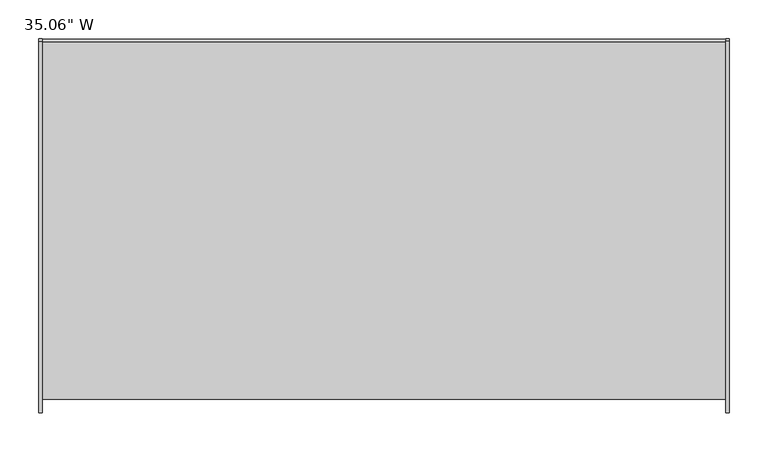
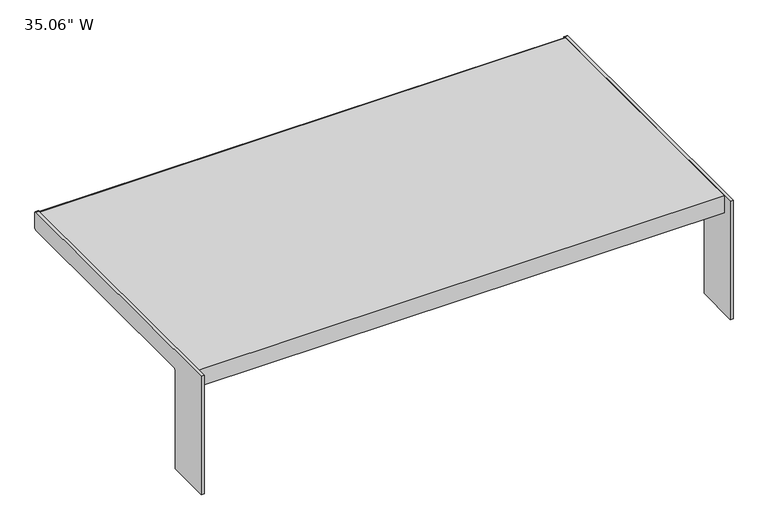
"""IFC4 building model written with IfcOpenShell, lengths in millimetres: furniture geometry."""

from ifc_helpers import new_model, si_unit, point, frame, frame_2d, origin, place, context, project, spatial, polyline, circle_curve, trimmed, segment, composite_curve, outline, extrude, source, transform, mapped, element, save


def furniture_5d1d48b4(model_context):
    return source(origin(), model_context, "Body", "SweptSolid", [
        extrude(outline(composite_curve([segment(trimmed(circle_curve(frame_2d((432.3841669, 206.502)), 3.048), [point((432.3841669, 209.55))], [point((435.4321669, 206.502))], False, "CARTESIAN"), True, "CONTINUOUS"), segment(polyline([(435.4321669, 206.502), (435.4321669, 180.5939943)]), True, "CONTINUOUS"), segment(trimmed(circle_curve(frame_2d((432.3841669, 180.5939943)), 3.048), [point((435.4321669, 180.5939943))], [point((432.3841669, 177.5459943))], False, "CARTESIAN"), True, "CONTINUOUS"), segment(polyline([(432.3841669, 177.5459943), (32.0801669, 177.5459943)]), True, "CONTINUOUS"), segment(trimmed(circle_curve(frame_2d((32.0801669, 174.4979943)), 3.048), [point((32.0801669, 177.5459943))], [point((29.0321669, 174.4979943))], True, "CARTESIAN"), True, "CONTINUOUS"), segment(polyline([(29.0321669, 174.4979943), (29.0321669, 0.0), (-47.1678331, 0.0), (-47.1678331, 209.55), (432.3841669, 209.55)]), True, "CONTINUOUS")], self_intersect=False)), frame((11.938, 0.0, 0.0), z_axis=(1.0, 0.0, 0.0), x_axis=(0.0, 1.0, 0.0)), (0.0, 0.0, 1.0), 4.699),
        extrude(outline(composite_curve([segment(trimmed(circle_curve(frame_2d((431.495195, 205.232)), 3.048), [point((431.495195, 208.28))], [point((434.543195, 205.232))], False, "CARTESIAN"), True, "CONTINUOUS"), segment(polyline([(434.543195, 205.232), (434.543195, 181.8436795)]), True, "CONTINUOUS"), segment(trimmed(circle_curve(frame_2d((431.495195, 181.8436795)), 3.048), [point((434.543195, 181.8436795))], [point((431.495195, 178.7956795))], False, "CARTESIAN"), True, "CONTINUOUS"), segment(polyline([(431.495195, 178.7956795), (-29.7306707, 178.7956795), (-29.7306707, 208.28), (431.495195, 208.28)]), True, "CONTINUOUS")], self_intersect=False)), frame((16.637, 0.0, 0.0), z_axis=(1.0, 0.0, 0.0), x_axis=(0.0, 1.0, 0.0)), (0.0, 0.0, 1.0), 881.126),
        extrude(outline(composite_curve([segment(trimmed(circle_curve(frame_2d((432.3841669, 206.502)), 3.048), [point((432.3841669, 209.55))], [point((435.4321669, 206.502))], False, "CARTESIAN"), True, "CONTINUOUS"), segment(polyline([(435.4321669, 206.502), (435.4321669, 180.5939943)]), True, "CONTINUOUS"), segment(trimmed(circle_curve(frame_2d((432.3841669, 180.5939943)), 3.048), [point((435.4321669, 180.5939943))], [point((432.3841669, 177.5459943))], False, "CARTESIAN"), True, "CONTINUOUS"), segment(polyline([(432.3841669, 177.5459943), (32.0801669, 177.5459943)]), True, "CONTINUOUS"), segment(trimmed(circle_curve(frame_2d((32.0801669, 174.4979943)), 3.048), [point((32.0801669, 177.5459943))], [point((29.0321669, 174.4979943))], True, "CARTESIAN"), True, "CONTINUOUS"), segment(polyline([(29.0321669, 174.4979943), (29.0321669, 0.0), (-47.1678331, 0.0), (-47.1678331, 209.55), (432.3841669, 209.55)]), True, "CONTINUOUS")], self_intersect=False)), frame((897.763, 0.0, 0.0), z_axis=(1.0, 0.0, 0.0), x_axis=(0.0, 1.0, 0.0)), (0.0, 0.0, 1.0), 4.699),
    ])


if __name__ == "__main__":
    model = new_model("IFC4")
    model_context = context("Model", 3, world=origin())
    ifc_project = project(units=[si_unit("LENGTHUNIT", "METRE", prefix="MILLI")], contexts=[model_context])
    site = spatial("IfcSite", under=ifc_project)
    building = spatial("IfcBuilding", under=site)
    placement = place(None, origin())
    furniture_shape = furniture_5d1d48b4(model_context)
    element("IfcFurniture", 1, ObjectType="35.06\" W", at=placement, inside=building, context=model_context, shape_type="MappedRepresentation", body=[
        mapped(furniture_shape, transform((0.0, 0.0, 0.0), x_axis=(1.0, 0.0, 0.0), y_axis=(0.0, 1.0, 0.0), z_axis=(0.0, 0.0, 1.0))),
    ])
    save(model, "model.ifc")
